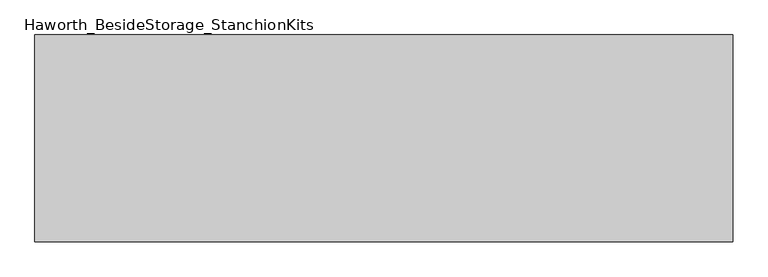
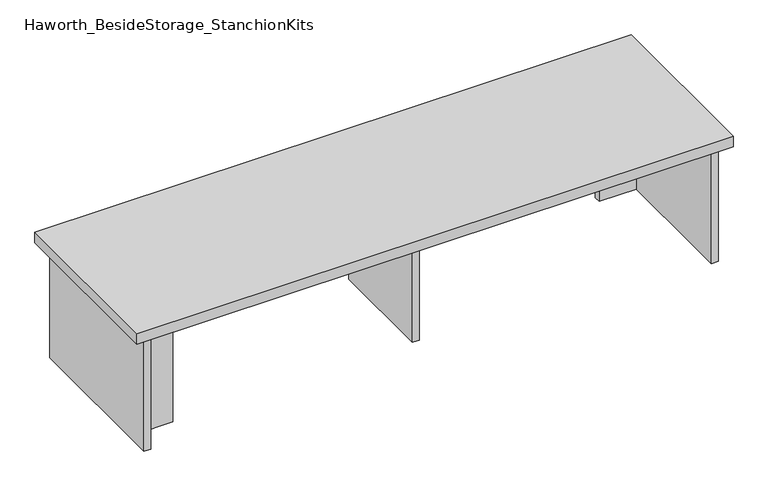
"""IFC4 building model written with IfcOpenShell, lengths in millimetres: furniture geometry, Haworth_BesideStorage_StanchionKits."""

from ifc_helpers import new_model, si_unit, frame, origin, place, context, project, spatial, polyline, outline, extrude, source, transform, mapped, element, save


def haworth_besidestorage_stanchionkits_8e054684(model_context):
    return source(origin(), model_context, "Body", "SweptSolid", [
        extrude(outline(polyline([(847.725, 0.0), (847.725, -406.4), (-523.875, -406.4), (-523.875, 0.0), (847.725, 0.0)])), frame((0.0, 0.0, 711.2), z_axis=(0.0, 0.0, 1.0), x_axis=(1.0, 0.0, 0.0)), (0.0, 0.0, 1.0), 25.4),
        extrude(outline(polyline([(720.725, -76.2), (806.45, -76.2), (806.45, -92.075), (720.725, -92.075), (720.725, -76.2)])), frame((0.0, 0.0, 431.8), z_axis=(0.0, 0.0, 1.0), x_axis=(1.0, 0.0, 0.0)), (0.0, 0.0, 1.0), 279.4),
        extrude(outline(polyline([(-396.875, -314.325), (-396.875, -330.2), (-482.6, -330.2), (-482.6, -314.325), (-396.875, -314.325)])), frame((0.0, 0.0, 431.8), z_axis=(0.0, 0.0, 1.0), x_axis=(1.0, 0.0, 0.0)), (0.0, 0.0, 1.0), 279.4),
        extrude(outline(polyline([(169.8625, -330.2), (153.9875, -330.2), (153.9875, -76.2), (169.8625, -76.2), (169.8625, -330.2)])), frame((0.0, 0.0, 431.8), z_axis=(0.0, 0.0, 1.0), x_axis=(1.0, 0.0, 0.0)), (0.0, 0.0, 1.0), 279.4),
        extrude(outline(polyline([(822.325, -390.525), (806.45, -390.525), (806.45, -15.875), (822.325, -15.875), (822.325, -390.525)])), frame((0.0, 0.0, 431.8), z_axis=(0.0, 0.0, 1.0), x_axis=(1.0, 0.0, 0.0)), (0.0, 0.0, 1.0), 279.4),
        extrude(outline(polyline([(-482.6, -390.525), (-498.475, -390.525), (-498.475, -15.875), (-482.6, -15.875), (-482.6, -390.525)])), frame((0.0, 0.0, 431.8), z_axis=(0.0, 0.0, 1.0), x_axis=(1.0, 0.0, 0.0)), (0.0, 0.0, 1.0), 279.4),
    ])


if __name__ == "__main__":
    model = new_model("IFC4")
    model_context = context("Model", 3, world=origin())
    ifc_project = project(units=[si_unit("LENGTHUNIT", "METRE", prefix="MILLI")], contexts=[model_context])
    site = spatial("IfcSite", under=ifc_project)
    building = spatial("IfcBuilding", under=site)
    placement = place(None, origin())
    haworth_besidestorage_stanchionkits_shape = haworth_besidestorage_stanchionkits_8e054684(model_context)
    element("IfcFurniture", 1, ObjectType="Haworth_BesideStorage_StanchionKits", at=placement, inside=building, context=model_context, shape_type="MappedRepresentation", body=[
        mapped(haworth_besidestorage_stanchionkits_shape, transform((0.0, 0.0, 0.0), x_axis=(1.0, 0.0, 0.0), y_axis=(0.0, 1.0, 0.0), z_axis=(0.0, 0.0, 1.0))),
    ])
    save(model, "model.ifc")
